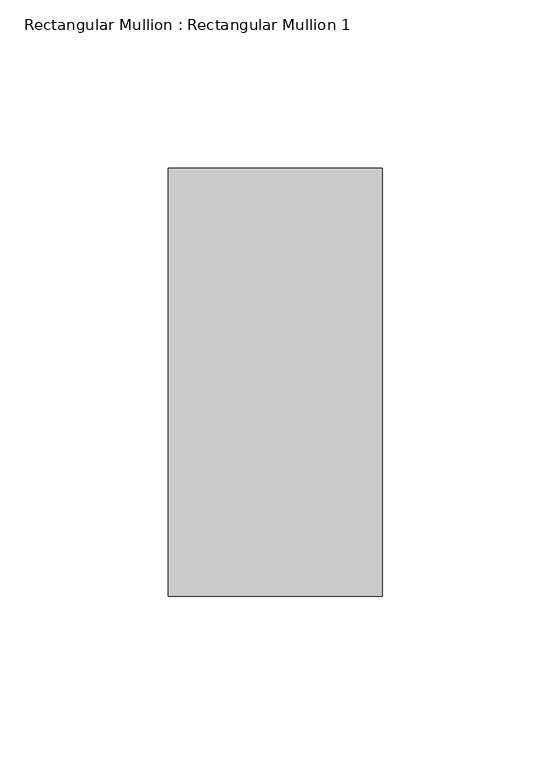
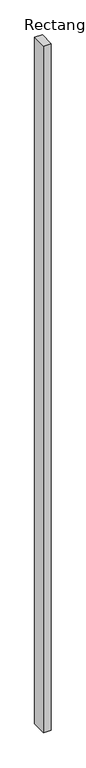
"""IFC4 building model written with IfcOpenShell, lengths in millimetres: member geometry, Rectangular Mullion : Rectangular Mullion 1."""

from ifc_helpers import new_model, si_unit, frame, origin, place, context, project, spatial, polyline, outline, extrude, source, transform, mapped, element, save


def rectangular_mullion_rectangular_mullion_1_59159d86(model_context):
    return source(origin(), model_context, "Body", "SweptSolid", [
        extrude(outline(polyline([(31.75, 63.5), (31.75, -63.5), (-31.75, -63.5), (-31.75, 63.5), (31.75, 63.5)])), frame((0.0, 0.0, -6032.5), z_axis=(0.0, 0.0, 1.0), x_axis=(1.0, 0.0, 0.0)), (0.0, 0.0, 1.0), 6032.5),
    ])


if __name__ == "__main__":
    model = new_model("IFC4")
    model_context = context("Model", 3, world=origin())
    ifc_project = project(units=[si_unit("LENGTHUNIT", "METRE", prefix="MILLI")], contexts=[model_context])
    site = spatial("IfcSite", under=ifc_project)
    building = spatial("IfcBuilding", under=site)
    placement = place(None, origin())
    rectangular_mullion_rectangular_mullion_1_shape = rectangular_mullion_rectangular_mullion_1_59159d86(model_context)
    element("IfcMember", 1, ObjectType="Rectangular Mullion : Rectangular Mullion 1", at=placement, inside=building, context=model_context, shape_type="MappedRepresentation", body=[
        mapped(rectangular_mullion_rectangular_mullion_1_shape, transform((0.0, 0.0, 0.0), x_axis=(1.0, 0.0, 0.0), y_axis=(0.0, 1.0, 0.0), z_axis=(0.0, 0.0, 1.0))),
    ])
    save(model, "model.ifc")
